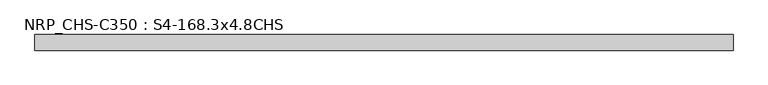
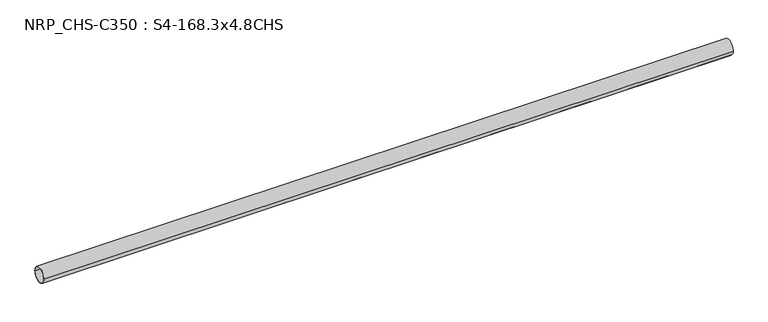
"""IFC4 building model written with IfcOpenShell, lengths in millimetres: beam geometry, NRP_CHS-C350 : S4-168.3x4.8CHS."""

from ifc_helpers import new_model, si_unit, point, frame, origin, origin_2d, place, context, project, spatial, circle_curve, trimmed, segment, composite_curve, outline, extrude, source, transform, mapped, element, save


def nrp_chs_c350_s4_168_3x4_8chs_e2fb27e1(model_context):
    return source(origin(), model_context, "Body", "SweptSolid", [
        extrude(outline(composite_curve([segment(trimmed(circle_curve(origin_2d(), 84.15), [point((84.15, 0.0))], [point((-84.15, 0.0))], False, "CARTESIAN"), True, "CONTINUOUS"), segment(trimmed(circle_curve(origin_2d(), 84.15), [point((-84.15, 0.0))], [point((84.15, 0.0))], False, "CARTESIAN"), True, "CONTINUOUS")], self_intersect=False), holes=[composite_curve([segment(trimmed(circle_curve(origin_2d(), 79.35), [point((-79.35, 0.0))], [point((79.35, 0.0))], True, "CARTESIAN"), True, "CONTINUOUS"), segment(trimmed(circle_curve(origin_2d(), 79.35), [point((79.35, 0.0))], [point((-79.35, 0.0))], True, "CARTESIAN"), True, "CONTINUOUS")], self_intersect=False)]), frame((-3754.6, 0.0, 0.0), z_axis=(1.0, 0.0, 0.0), x_axis=(0.0, 1.0, 0.0)), (0.0, 0.0, 1.0), 7519.7),
    ])


if __name__ == "__main__":
    model = new_model("IFC4")
    model_context = context("Model", 3, world=origin())
    ifc_project = project(units=[si_unit("LENGTHUNIT", "METRE", prefix="MILLI")], contexts=[model_context])
    site = spatial("IfcSite", under=ifc_project)
    building = spatial("IfcBuilding", under=site)
    placement = place(None, origin())
    nrp_chs_c350_s4_168_3x4_8chs_shape = nrp_chs_c350_s4_168_3x4_8chs_e2fb27e1(model_context)
    element("IfcBeam", 1, ObjectType="NRP_CHS-C350 : S4-168.3x4.8CHS", at=placement, inside=building, context=model_context, shape_type="MappedRepresentation", body=[
        mapped(nrp_chs_c350_s4_168_3x4_8chs_shape, transform((0.0, 0.0, 0.0), x_axis=(1.0, 0.0, 0.0), y_axis=(0.0, 1.0, 0.0), z_axis=(0.0, 0.0, 1.0))),
    ])
    save(model, "model.ifc")
